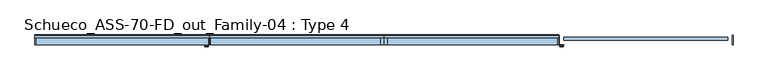
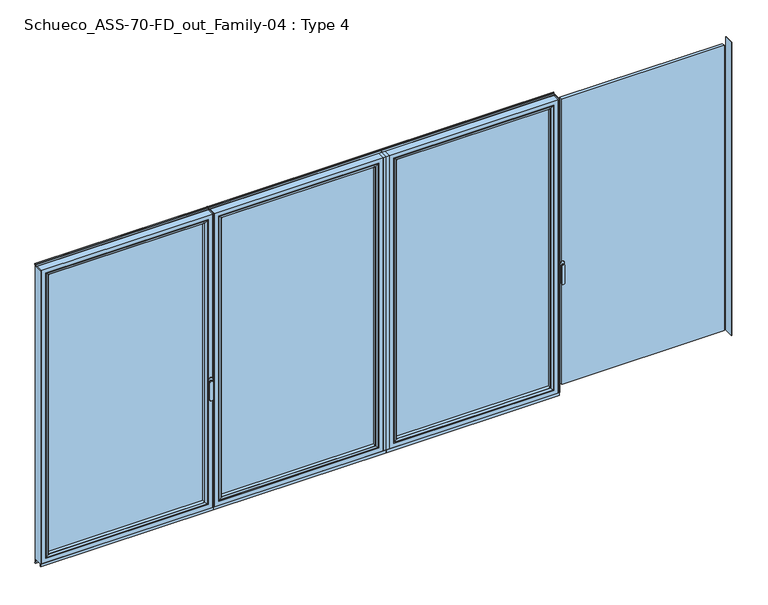
"""IFC4 building model written with IfcOpenShell, lengths in millimetres: window geometry, Schueco_ASS-70-FD_out_Family-04 : Type 4."""

from ifc_helpers import new_model, si_unit, point, frame, frame_2d, origin, place, context, project, spatial, polyline, circle_curve, ellipse_curve, trimmed, segment, composite_curve, outline, extrude, source, transform, mapped, element, save
from ifc_brep_helpers import plane_surface, cylinder_surface, extruded_surface, advanced_brep


def schueco_ass_70_fd_out_family_04_type_4_62c32d7b(model_context):
    return source(origin(), model_context, "Body", "SolidModel", [
        extrude(outline(polyline([(0.0, 0.0), (22.5, 0.0), (22.5, -70.0), (0.0, -70.0), (0.0, 0.0)])), frame((0.0, 0.0, 75.0), z_axis=(0.0, 0.0, 1.0), x_axis=(1.0, 0.0, 0.0)), (0.0, 0.0, 1.0), 2262.0),
        extrude(outline(polyline([(1259.4, 0.0), (1259.4, -70.0), (1253.4, -70.0), (1253.4, 0.0), (1259.4, 0.0)])), frame((0.0, 0.0, 75.0), z_axis=(0.0, 0.0, 1.0), x_axis=(1.0, 0.0, 0.0)), (0.0, 0.0, 1.0), 2262.0),
        extrude(outline(polyline([(54.5, -13.999939), (1221.4, -13.999939), (1221.4, -37.9928974), (54.5, -37.9928974), (54.5, -13.999939)])), frame((0.0, 0.0, 107.0), z_axis=(0.0, 0.0, 1.0), x_axis=(1.0, 0.0, 0.0)), (0.0, 0.0, 1.0), 2198.0),
        advanced_brep(
        [(1199.4004272, -64.5552044, 2283.0004272), (1199.4004272, -37.9928974, 2283.0004272), (1199.4004272, -37.9928974, 128.9995728), (1199.4004272, -64.5552044, 128.9995728), (1221.4, -37.9928974, 2305.0), (1221.4, -37.9928974, 107.0), (54.5, -37.9928974, 107.0), (54.5, -37.9928974, 2305.0), (76.4995728, -37.9928974, 2283.0004272), (76.4995728, -37.9928974, 128.9995728), (76.4995728, -64.5552044, 128.9995728), (1200.1099707, -65.8045072, 2283.7099707), (1200.1099707, -65.8045072, 128.2900293), (75.7900293, -65.8045072, 128.2900293), (1215.400061, -70.0, 2299.000061), (1215.400061, -70.0, 112.999939), (60.499939, -70.0, 112.999939), (54.5, -70.0, 2305.0), (54.5, -70.0, 107.0), (1221.4, -70.0, 107.0), (1221.4, -70.0, 2305.0), (60.499939, -70.0, 2299.000061), (76.4995728, -64.5552044, 2283.0004272), (75.7900293, -65.8045072, 2283.7099707)],
        [
            (0, 1),
            (1, 2),
            (2, 3),
            (3, 0),
            (4, 5),
            (5, 6),
            (6, 7),
            (7, 4),
            (8, 9),
            (9, 2),
            (1, 8),
            (9, 10),
            (10, 3),
            (11, 0, ellipse_curve(frame((1200.8550312, -64.5552044, 2284.4550312), z_axis=(0.7071067811865475, 0.0, -0.7071067811865475), x_axis=(0.7071067811865474, 0.0, 0.7071067811865476)), 2.0571207, 1.454604)),
            (3, 12, ellipse_curve(frame((1200.8550312, -64.5552044, 127.5449688), z_axis=(0.7071067811865475, 0.0, 0.7071067811865475), x_axis=(-0.7071067811865474, 0.0, 0.7071067811865476)), 2.0571207, 1.454604)),
            (12, 11),
            (10, 13, ellipse_curve(frame((75.0449688, -64.5552044, 127.5449688), z_axis=(0.7071067811865475, 0.0, -0.7071067811865475), x_axis=(0.7071067811865476, 0.0, 0.7071067811865474)), 2.0571207, 1.454604)),
            (13, 12),
            (14, 11, ellipse_curve(frame((1215.3361254, -40.2735922, 2298.9361254), z_axis=(0.7071067811865475, 0.0, -0.7071067811865475), x_axis=(0.7071067811865474, 0.0, 0.7071067811865476)), 42.0395863, 29.7264765)),
            (12, 15, ellipse_curve(frame((1215.3361254, -40.2735922, 113.0638746), z_axis=(0.7071067811865475, 0.0, 0.7071067811865475), x_axis=(-0.7071067811865474, 0.0, 0.7071067811865476)), 42.0395863, 29.7264765)),
            (15, 14),
            (13, 16, ellipse_curve(frame((60.5638746, -40.2735922, 113.0638746), z_axis=(0.7071067811865475, 0.0, -0.7071067811865475), x_axis=(0.7071067811865476, 0.0, 0.7071067811865474)), 42.0395863, 29.7264765)),
            (16, 15),
            (17, 18),
            (18, 19),
            (19, 20),
            (20, 17),
            (16, 21),
            (21, 14),
            (4, 20),
            (19, 5),
            (18, 6),
            (8, 22),
            (22, 10),
            (22, 23, ellipse_curve(frame((75.0449688, -64.5552044, 2284.4550312), z_axis=(-0.7071067811865475, 0.0, -0.7071067811865475), x_axis=(0.7071067811865474, 0.0, -0.7071067811865476)), 2.0571207, 1.454604)),
            (23, 13),
            (23, 21, ellipse_curve(frame((60.5638746, -40.2735922, 2298.9361254), z_axis=(-0.7071067811865475, 0.0, -0.7071067811865475), x_axis=(0.7071067811865474, 0.0, -0.7071067811865476)), 42.0395863, 29.7264765)),
            (17, 7),
            (0, 22),
            (11, 23),
        ],
        [
            plane_surface(frame((1199.4004272, -37.9928974, 2283.0004272), z_axis=(-1.0, 0.0, 0.0), x_axis=(0.0, 0.0, -1.0))),
            plane_surface(frame((54.5, -37.9928974, 107.0), z_axis=(0.0, 1.0, 0.0), x_axis=(0.0, 0.0, 1.0))),
            plane_surface(frame((1199.4004272, -37.9928974, 128.9995728), z_axis=(0.0, 0.0, 1.0), x_axis=(-1.0, 0.0, 0.0))),
            cylinder_surface(frame((1200.8550312, -64.5552044, 2283.0004272), z_axis=(0.0, 0.0, 1.0), x_axis=(1.0, 0.0, 0.0)), 1.454604),
            cylinder_surface(frame((1199.4004272, -64.5552044, 127.5449688), z_axis=(1.0, 0.0, 0.0), x_axis=(0.0, 0.0, -1.0)), 1.454604),
            cylinder_surface(frame((1215.3361254, -40.2735922, 2283.0004272), z_axis=(0.0, 0.0, 1.0), x_axis=(1.0, 0.0, 0.0)), 29.7264765),
            cylinder_surface(frame((1199.4004272, -40.2735922, 113.0638746), z_axis=(1.0, 0.0, 0.0), x_axis=(0.0, 0.0, -1.0)), 29.7264765),
            plane_surface(frame((60.499939, -70.0, 112.999939), z_axis=(0.0, -1.0, 0.0), x_axis=(0.0, 0.0, 1.0))),
            plane_surface(frame((1221.4, -70.0, 2305.0), z_axis=(1.0, 0.0, 0.0), x_axis=(0.0, 0.0, -1.0))),
            plane_surface(frame((1221.4, -70.0, 107.0), z_axis=(0.0, 0.0, -1.0), x_axis=(-1.0, 0.0, 0.0))),
            plane_surface(frame((76.4995728, -37.9928974, 128.9995728), z_axis=(1.0, 0.0, 0.0), x_axis=(0.0, 0.0, 1.0))),
            cylinder_surface(frame((75.0449688, -64.5552044, 128.9995728), z_axis=(0.0, 0.0, -1.0), x_axis=(-1.0, 0.0, 0.0)), 1.454604),
            cylinder_surface(frame((60.5638746, -40.2735922, 128.9995728), z_axis=(0.0, 0.0, -1.0), x_axis=(-1.0, 0.0, 0.0)), 29.7264765),
            plane_surface(frame((54.5, -70.0, 107.0), z_axis=(-1.0, 0.0, 0.0), x_axis=(0.0, 0.0, 1.0))),
            plane_surface(frame((76.4995728, -37.9928974, 2283.0004272), z_axis=(0.0, 0.0, -1.0), x_axis=(1.0, 0.0, 0.0))),
            cylinder_surface(frame((76.4995728, -64.5552044, 2284.4550312), z_axis=(-1.0, 0.0, 0.0), x_axis=(0.0, 0.0, 1.0)), 1.454604),
            cylinder_surface(frame((76.4995728, -40.2735922, 2298.9361254), z_axis=(-1.0, 0.0, 0.0), x_axis=(0.0, 0.0, 1.0)), 29.7264765),
            plane_surface(frame((54.5, -70.0, 2305.0), z_axis=(0.0, 0.0, 1.0), x_axis=(1.0, 0.0, 0.0))),
        ],
        [
            (0, [[1, 2, 3, 4]]),
            (1, [[5, 6, 7, 8], [9, 10, -2, 11]]),
            (2, [[-3, -10, 12, 13]]),
            (3, [[14, -4, 15, 16]]),
            (4, [[-15, -13, 17, 18]]),
            (5, [[19, -16, 20, 21]]),
            (6, [[-20, -18, 22, 23]]),
            (7, [[24, 25, 26, 27], [-21, -23, 28, 29]]),
            (8, [[30, -26, 31, -5]]),
            (9, [[-31, -25, 32, -6]]),
            (10, [[-12, -9, 33, 34]]),
            (11, [[-17, -34, 35, 36]]),
            (12, [[-22, -36, 37, -28]]),
            (13, [[-32, -24, 38, -7]]),
            (14, [[-33, -11, -1, 39]]),
            (15, [[-35, -39, -14, 40]]),
            (16, [[-37, -40, -19, -29]]),
            (17, [[-38, -27, -30, -8]]),
        ],
    ),
        advanced_brep(
        [(22.5, -70.0, 2337.0), (22.5, 0.0, 2337.0), (22.5, 0.0, 75.0), (22.5, -70.0, 75.0), (1253.4, 0.0, 75.0), (1253.4, -70.0, 75.0), (1253.4, 0.0, 2337.0), (1203.9008099, 0.0, 124.4991901), (1203.9008099, 0.0, 2287.5008099), (71.9991901, 0.0, 2287.5008099), (71.9991901, 0.0, 124.4991901), (1253.4, -70.0, 2337.0), (54.5, -70.0, 107.0), (54.5, -70.0, 2305.0), (1221.4, -70.0, 2305.0), (1221.4, -70.0, 107.0), (54.5, -13.999939, 2305.0), (54.5, -13.999939, 107.0), (1221.4, -13.999939, 107.0), (1221.4, -13.999939, 2305.0), (76.4995728, -13.999939, 128.9995728), (76.4995728, -13.999939, 2283.0004272), (1199.4004272, -13.999939, 2283.0004272), (1199.4004272, -13.999939, 128.9995728), (76.4995728, -4.5004435, 2283.0004272), (76.4995728, -4.5004435, 128.9995728), (1199.4004272, -4.5004435, 128.9995728), (1199.4004272, -4.5004435, 2283.0004272)],
        [
            (0, 1),
            (1, 2),
            (2, 3),
            (3, 0),
            (2, 4),
            (4, 5),
            (5, 3),
            (1, 6),
            (6, 4),
            (7, 8),
            (8, 9),
            (9, 10),
            (10, 7),
            (6, 11),
            (11, 5),
            (11, 0),
            (12, 13),
            (13, 14),
            (14, 15),
            (15, 12),
            (16, 13),
            (12, 17),
            (17, 16),
            (15, 18),
            (18, 17),
            (14, 19),
            (19, 18),
            (19, 16),
            (20, 21),
            (21, 22),
            (22, 23),
            (23, 20),
            (24, 21),
            (20, 25),
            (25, 24),
            (23, 26),
            (26, 25),
            (22, 27),
            (27, 26),
            (10, 25, ellipse_curve(frame((71.9991901, -4.5004435, 124.4991901), z_axis=(0.7071067811865475, 0.0, -0.7071067811865475), x_axis=(-0.7071067811865476, 0.0, -0.7071067811865474)), 6.3645023, 4.5003827)),
            (26, 7, ellipse_curve(frame((1203.9008099, -4.5004435, 124.4991901), z_axis=(-0.7071067811865475, 0.0, -0.7071067811865475), x_axis=(-0.7071067811865476, 0.0, 0.7071067811865474)), 6.3645023, 4.5003827)),
            (9, 24, ellipse_curve(frame((71.9991901, -4.5004435, 2287.5008099), z_axis=(-0.7071067811865475, 0.0, -0.7071067811865475), x_axis=(-0.7071067811865474, 0.0, 0.7071067811865476)), 6.3645023, 4.5003827)),
            (27, 8, ellipse_curve(frame((1203.9008099, -4.5004435, 2287.5008099), z_axis=(0.7071067811865475, 0.0, -0.7071067811865475), x_axis=(-0.7071067811865474, 0.0, -0.7071067811865476)), 6.3645023, 4.5003827)),
            (24, 27),
        ],
        [
            plane_surface(frame((22.5, 0.0, 2337.0), z_axis=(-1.0, 0.0, 0.0), x_axis=(0.0, 0.0, -1.0))),
            plane_surface(frame((22.5, 0.0, 75.0), z_axis=(0.0, 0.0, -1.0), x_axis=(1.0, 0.0, 0.0))),
            plane_surface(frame((71.9991901, 0.0, 2287.5008099), z_axis=(0.0, 1.0, 0.0), x_axis=(0.0, 0.0, -1.0))),
            plane_surface(frame((1253.4, 0.0, 75.0), z_axis=(1.0, 0.0, 0.0), x_axis=(0.0, 0.0, 1.0))),
            plane_surface(frame((22.5, -70.0, 2337.0), z_axis=(0.0, -1.0, 0.0), x_axis=(0.0, 0.0, -1.0))),
            plane_surface(frame((54.5, -70.0, 2305.0), z_axis=(1.0, 0.0, 0.0), x_axis=(0.0, 0.0, -1.0))),
            plane_surface(frame((54.5, -70.0, 107.0), z_axis=(0.0, 0.0, 1.0), x_axis=(1.0, 0.0, 0.0))),
            plane_surface(frame((1221.4, -70.0, 107.0), z_axis=(-1.0, 0.0, 0.0), x_axis=(0.0, 0.0, 1.0))),
            plane_surface(frame((54.5, -13.999939, 2305.0), z_axis=(0.0, -1.0, 0.0), x_axis=(0.0, 0.0, -1.0))),
            plane_surface(frame((76.4995728, -13.999939, 2283.0004272), z_axis=(1.0, 0.0, 0.0), x_axis=(0.0, 0.0, -1.0))),
            plane_surface(frame((76.4995728, -13.999939, 128.9995728), z_axis=(0.0, 0.0, 1.0), x_axis=(1.0, 0.0, 0.0))),
            plane_surface(frame((1199.4004272, -13.999939, 128.9995728), z_axis=(-1.0, 0.0, 0.0), x_axis=(0.0, 0.0, 1.0))),
            cylinder_surface(frame((16.5, -4.5004435, 124.4991901), z_axis=(-1.0, 0.0, 0.0), x_axis=(0.0, -1.0, 0.0)), 4.5003827),
            cylinder_surface(frame((71.9991901, -4.5004435, 2343.0), z_axis=(0.0, 0.0, 1.0), x_axis=(0.0, -1.0, 0.0)), 4.5003827),
            cylinder_surface(frame((1203.9008099, -4.5004435, 69.0), z_axis=(0.0, 0.0, -1.0), x_axis=(0.0, -1.0, 0.0)), 4.5003827),
            plane_surface(frame((1253.4, 0.0, 2337.0), z_axis=(0.0, 0.0, 1.0), x_axis=(-1.0, 0.0, 0.0))),
            plane_surface(frame((1221.4, -70.0, 2305.0), z_axis=(0.0, 0.0, -1.0), x_axis=(-1.0, 0.0, 0.0))),
            plane_surface(frame((1199.4004272, -13.999939, 2283.0004272), z_axis=(0.0, 0.0, -1.0), x_axis=(-1.0, 0.0, 0.0))),
            cylinder_surface(frame((1259.4, -4.5004435, 2287.5008099), z_axis=(1.0, 0.0, 0.0), x_axis=(0.0, -1.0, 0.0)), 4.5003827),
        ],
        [
            (0, [[1, 2, 3, 4]]),
            (1, [[-3, 5, 6, 7]]),
            (2, [[-2, 8, 9, -5], [10, 11, 12, 13]]),
            (3, [[-6, -9, 14, 15]]),
            (4, [[-15, 16, -4, -7], [17, 18, 19, 20]]),
            (5, [[21, -17, 22, 23]]),
            (6, [[-22, -20, 24, 25]]),
            (7, [[-24, -19, 26, 27]]),
            (8, [[-27, 28, -23, -25], [29, 30, 31, 32]]),
            (9, [[33, -29, 34, 35]]),
            (10, [[-34, -32, 36, 37]]),
            (11, [[-36, -31, 38, 39]]),
            (12, [[40, -37, 41, -13]]),
            (13, [[42, -35, -40, -12]]),
            (14, [[-41, -39, 43, -10]]),
            (15, [[-14, -8, -1, -16]]),
            (16, [[-26, -18, -21, -28]]),
            (17, [[-38, -30, -33, 44]]),
            (18, [[-43, -44, -42, -11]]),
        ],
    ),
        extrude(outline(polyline([(0.0, -70.0), (0.0, -62.3999924), (1259.4, -62.3999924), (1259.4, -70.0), (0.0, -70.0)])), frame((0.0, 0.0, 52.9995117), z_axis=(0.0, 0.0, 1.0), x_axis=(1.0, 0.0, 0.0)), (0.0, 0.0, 1.0), 22.0004883),
        extrude(outline(composite_curve([segment(polyline([(0.0, 45.0), (-7.7242502, 45.0), (-7.7242502, 75.0), (0.0, 75.0), (0.0, 52.4754501), (1.8566157, 46.0621453)]), True, "CONTINUOUS"), segment(trimmed(circle_curve(frame_2d((-0.0645022, 45.5059925)), 2.0), [point((1.8566157, 46.0621453))], [point((1.8670103, 44.9870904))], False, "CARTESIAN"), True, "CONTINUOUS"), segment(polyline([(1.8670103, 44.9870904), (0.8737, 41.2896854), (0.0, 41.2896854), (0.0, 45.0)]), True, "CONTINUOUS")], self_intersect=False)), frame((0.0, 0.0, 0.0), z_axis=(1.0, 0.0, 0.0), x_axis=(0.0, 1.0, 0.0)), (0.0, 0.0, 1.0), 1259.4),
        extrude(outline(composite_curve([segment(polyline([(-17.955674, 2339.1400778), (-1.3636404, 2339.1400778), (0.0, 2342.963961), (0.0, 2348.6420698), (0.8937897, 2348.6420698), (1.8738669, 2344.9939222)]), True, "CONTINUOUS"), segment(trimmed(circle_curve(frame_2d((-0.0576456, 2344.4750201)), 2.0), [point((1.8738669, 2344.9939222))], [point((1.8735116, 2343.9547971))], False, "CARTESIAN"), True, "CONTINUOUS"), segment(polyline([(1.8735116, 2343.9547971), (0.0, 2337.0), (-17.955674, 2337.0), (-17.955674, 2339.1400778)]), True, "CONTINUOUS")], self_intersect=False)), frame((0.0, 0.0, 0.0), z_axis=(1.0, 0.0, 0.0), x_axis=(0.0, 1.0, 0.0)), (0.0, 0.0, 1.0), 1259.4),
        advanced_brep(
        [(-1293.3886308, -73.5, 1050.0), (-1269.4113692, -73.5, 1050.0), (-1269.4113692, -76.8965533, 1050.0), (-1293.3886308, -76.8965533, 1050.0), (-1293.3886308, -84.5, 1050.0), (-1293.3886308, -84.5, 918.6867153), (-1269.4113692, -84.5, 918.6867153), (-1269.4113692, -84.5, 1050.0), (-1269.4113692, -76.8965533, 918.6867153), (-1293.3886308, -76.8965533, 918.6867153)],
        [
            (0, 1, circle_curve(frame((-1281.4, -73.5, 1050.0), z_axis=(0.0, 1.0, 0.0), x_axis=(1.0, 0.0, 0.0)), 11.9886308)),
            (1, 0, circle_curve(frame((-1281.4, -73.5, 1050.0), z_axis=(0.0, 1.0, 0.0), x_axis=(1.0, 0.0, 0.0)), 11.9886308)),
            (1, 2),
            (2, 3, circle_curve(frame((-1281.4, -76.8965533, 1050.0), z_axis=(0.0, 1.0, 0.0), x_axis=(1.0, 0.0, 0.0)), 11.9886308)),
            (3, 0),
            (3, 2, circle_curve(frame((-1281.4, -76.8965533, 1050.0), z_axis=(0.0, 1.0, 0.0), x_axis=(1.0, 0.0, 0.0)), 11.9886308)),
            (4, 5),
            (5, 6, ellipse_curve(frame((-1281.4, -84.5, 918.6867153), z_axis=(0.0, -1.0, 0.0), x_axis=(-1.0, 0.0, 0.0)), 11.9886308, 7.9050795)),
            (6, 7),
            (7, 4, circle_curve(frame((-1281.4, -84.5, 1050.0), z_axis=(0.0, -1.0, 0.0), x_axis=(1.0, 0.0, 0.0)), 11.9886308)),
            (2, 8),
            (8, 9, ellipse_curve(frame((-1281.4, -76.8965533, 918.6867153), z_axis=(0.0, 1.0, 0.0), x_axis=(-1.0, 0.0, 0.0)), 11.9886308, 7.9050795)),
            (9, 3),
            (4, 3),
            (9, 5),
            (8, 6),
            (2, 7),
        ],
        [
            plane_surface(frame((-1269.4113692, -73.5, 1050.0), z_axis=(0.0, 1.0, 0.0), x_axis=(0.0, 0.0, -1.0))),
            cylinder_surface(frame((-1281.4, -73.5, 1050.0), z_axis=(0.0, -1.0, 0.0), x_axis=(1.0, 0.0, 0.0)), 11.9886308),
            plane_surface(frame((-1293.3886308, -84.5, 928.3382074), z_axis=(0.0, -1.0, 0.0), x_axis=(0.0, 0.0, -1.0))),
            plane_surface(frame((-1293.3886308, -76.8965533, 928.3382074), z_axis=(0.0, 1.0, 0.0), x_axis=(0.0, 0.0, 1.0))),
            plane_surface(frame((-1293.3886308, -84.5, 1050.0), z_axis=(-1.0, 0.0, 0.0), x_axis=(0.0, 1.0, 0.0))),
            extruded_surface(trimmed(ellipse_curve(frame((-1281.4, -69.2931066, 918.6867153), z_axis=(0.0, -1.0, 0.0), x_axis=(-1.0, 0.0, 0.0)), 11.9886308, 7.9050795), [point((-1293.3886308, -69.2931066, 918.6867153))], [point((-1269.4113692, -69.2931066, 918.6867153))], True, "CARTESIAN"), (0.0, -7.603446699999992, 0.0), 7.603446699999992),
            plane_surface(frame((-1269.4113692, -84.5, 918.6867153), z_axis=(1.0, 0.0, 0.0), x_axis=(0.0, 1.0, 0.0))),
            cylinder_surface(frame((-1281.4, -76.8965533, 1050.0), z_axis=(0.0, -1.0, 0.0), x_axis=(1.0, 0.0, 0.0)), 11.9886308),
        ],
        [
            (0, [[1, 2]]),
            (1, [[-2, 3, 4, 5]]),
            (1, [[-1, -5, 6, -3]]),
            (2, [[7, 8, 9, 10]]),
            (3, [[11, 12, 13, -4]]),
            (4, [[-7, 14, -13, 15]]),
            (5, [[-8, -15, -12, 16]]),
            (6, [[-9, -16, -11, 17]]),
            (7, [[-10, -17, -6, -14]]),
        ],
    ),
        extrude(outline(composite_curve([segment(polyline([(1068.75, -1295.4), (1031.25, -1295.4)]), True, "CONTINUOUS"), segment(trimmed(circle_curve(frame_2d((1031.25, -1281.4)), 14.0), [point((1031.25, -1295.4))], [point((1031.25, -1267.4))], False, "CARTESIAN"), True, "CONTINUOUS"), segment(polyline([(1031.25, -1267.4), (1068.75, -1267.4)]), True, "CONTINUOUS"), segment(trimmed(circle_curve(frame_2d((1068.75, -1281.4)), 14.0), [point((1068.75, -1267.4))], [point((1068.75, -1295.4))], False, "CARTESIAN"), True, "CONTINUOUS")], self_intersect=False)), frame((0.0, -73.5, 0.0), z_axis=(0.0, 1.0, 0.0), x_axis=(0.0, 0.0, 1.0)), (0.0, 0.0, 1.0), 3.5),
        extrude(outline(polyline([(-2518.8, 0.0), (-2512.8, 0.0), (-2512.8, -70.0), (-2518.8, -70.0), (-2518.8, 0.0)])), frame((0.0, 0.0, 75.0), z_axis=(0.0, 0.0, 1.0), x_axis=(1.0, 0.0, 0.0)), (0.0, 0.0, 1.0), 2262.0),
        extrude(outline(polyline([(-1259.4, 0.0), (-1259.4, -70.0), (-1265.4, -70.0), (-1265.4, 0.0), (-1259.4, 0.0)])), frame((0.0, 0.0, 75.0), z_axis=(0.0, 0.0, 1.0), x_axis=(1.0, 0.0, 0.0)), (0.0, 0.0, 1.0), 2262.0),
        extrude(outline(polyline([(-2480.8, -13.999939), (-1297.4, -13.999939), (-1297.4, -37.9928974), (-2480.8, -37.9928974), (-2480.8, -13.999939)])), frame((0.0, 0.0, 107.0), z_axis=(0.0, 0.0, 1.0), x_axis=(1.0, 0.0, 0.0)), (0.0, 0.0, 1.0), 2198.0),
        advanced_brep(
        [(-1319.3995728, -64.5552044, 2283.0004272), (-1319.3995728, -37.9928974, 2283.0004272), (-1319.3995728, -37.9928974, 128.9995728), (-1319.3995728, -64.5552044, 128.9995728), (-1297.4, -37.9928974, 2305.0), (-1297.4, -37.9928974, 107.0), (-2480.8, -37.9928974, 107.0), (-2480.8, -37.9928974, 2305.0), (-2458.8004272, -37.9928974, 2283.0004272), (-2458.8004272, -37.9928974, 128.9995728), (-2458.8004272, -64.5552044, 128.9995728), (-1318.6900293, -65.8045072, 2283.7099707), (-1318.6900293, -65.8045072, 128.2900293), (-2459.5099707, -65.8045072, 128.2900293), (-1303.399939, -70.0, 2299.000061), (-1303.399939, -70.0, 112.999939), (-2474.800061, -70.0, 112.999939), (-2480.8, -70.0, 2305.0), (-2480.8, -70.0, 107.0), (-1297.4, -70.0, 107.0), (-1297.4, -70.0, 2305.0), (-2474.800061, -70.0, 2299.000061), (-2458.8004272, -64.5552044, 2283.0004272), (-2459.5099707, -65.8045072, 2283.7099707)],
        [
            (0, 1),
            (1, 2),
            (2, 3),
            (3, 0),
            (4, 5),
            (5, 6),
            (6, 7),
            (7, 4),
            (8, 9),
            (9, 2),
            (1, 8),
            (9, 10),
            (10, 3),
            (11, 0, ellipse_curve(frame((-1317.9449688, -64.5552044, 2284.4550312), z_axis=(0.7071067811865475, 0.0, -0.7071067811865475), x_axis=(0.7071067811865474, 0.0, 0.7071067811865476)), 2.0571207, 1.454604)),
            (3, 12, ellipse_curve(frame((-1317.9449688, -64.5552044, 127.5449688), z_axis=(0.7071067811865475, 0.0, 0.7071067811865475), x_axis=(-0.7071067811865474, 0.0, 0.7071067811865476)), 2.0571207, 1.454604)),
            (12, 11),
            (10, 13, ellipse_curve(frame((-2460.2550312, -64.5552044, 127.5449688), z_axis=(0.7071067811865475, 0.0, -0.7071067811865475), x_axis=(0.7071067811865476, 0.0, 0.7071067811865474)), 2.0571207, 1.454604)),
            (13, 12),
            (14, 11, ellipse_curve(frame((-1303.4638746, -40.2735922, 2298.9361254), z_axis=(0.7071067811865475, 0.0, -0.7071067811865475), x_axis=(0.7071067811865474, 0.0, 0.7071067811865476)), 42.0395863, 29.7264765)),
            (12, 15, ellipse_curve(frame((-1303.4638746, -40.2735922, 113.0638746), z_axis=(0.7071067811865475, 0.0, 0.7071067811865475), x_axis=(-0.7071067811865474, 0.0, 0.7071067811865476)), 42.0395863, 29.7264765)),
            (15, 14),
            (13, 16, ellipse_curve(frame((-2474.7361254, -40.2735922, 113.0638746), z_axis=(0.7071067811865475, 0.0, -0.7071067811865475), x_axis=(0.7071067811865476, 0.0, 0.7071067811865474)), 42.0395863, 29.7264765)),
            (16, 15),
            (17, 18),
            (18, 19),
            (19, 20),
            (20, 17),
            (16, 21),
            (21, 14),
            (4, 20),
            (19, 5),
            (18, 6),
            (8, 22),
            (22, 10),
            (22, 23, ellipse_curve(frame((-2460.2550312, -64.5552044, 2284.4550312), z_axis=(-0.7071067811865475, 0.0, -0.7071067811865475), x_axis=(0.7071067811865474, 0.0, -0.7071067811865476)), 2.0571207, 1.454604)),
            (23, 13),
            (23, 21, ellipse_curve(frame((-2474.7361254, -40.2735922, 2298.9361254), z_axis=(-0.7071067811865475, 0.0, -0.7071067811865475), x_axis=(0.7071067811865474, 0.0, -0.7071067811865476)), 42.0395863, 29.7264765)),
            (17, 7),
            (0, 22),
            (11, 23),
        ],
        [
            plane_surface(frame((-1319.3995728, -37.9928974, 2283.0004272), z_axis=(-1.0, 0.0, 0.0), x_axis=(0.0, 0.0, -1.0))),
            plane_surface(frame((-2480.8, -37.9928974, 107.0), z_axis=(0.0, 1.0, 0.0), x_axis=(0.0, 0.0, 1.0))),
            plane_surface(frame((-1319.3995728, -37.9928974, 128.9995728), z_axis=(0.0, 0.0, 1.0), x_axis=(-1.0, 0.0, 0.0))),
            cylinder_surface(frame((-1317.9449688, -64.5552044, 2283.0004272), z_axis=(0.0, 0.0, 1.0), x_axis=(1.0, 0.0, 0.0)), 1.454604),
            cylinder_surface(frame((-1319.3995728, -64.5552044, 127.5449688), z_axis=(1.0, 0.0, 0.0), x_axis=(0.0, 0.0, -1.0)), 1.454604),
            cylinder_surface(frame((-1303.4638746, -40.2735922, 2283.0004272), z_axis=(0.0, 0.0, 1.0), x_axis=(1.0, 0.0, 0.0)), 29.7264765),
            cylinder_surface(frame((-1319.3995728, -40.2735922, 113.0638746), z_axis=(1.0, 0.0, 0.0), x_axis=(0.0, 0.0, -1.0)), 29.7264765),
            plane_surface(frame((-2474.800061, -70.0, 112.999939), z_axis=(0.0, -1.0, 0.0), x_axis=(0.0, 0.0, 1.0))),
            plane_surface(frame((-1297.4, -70.0, 2305.0), z_axis=(1.0, 0.0, 0.0), x_axis=(0.0, 0.0, -1.0))),
            plane_surface(frame((-1297.4, -70.0, 107.0), z_axis=(0.0, 0.0, -1.0), x_axis=(-1.0, 0.0, 0.0))),
            plane_surface(frame((-2458.8004272, -37.9928974, 128.9995728), z_axis=(1.0, 0.0, 0.0), x_axis=(0.0, 0.0, 1.0))),
            cylinder_surface(frame((-2460.2550312, -64.5552044, 128.9995728), z_axis=(0.0, 0.0, -1.0), x_axis=(-1.0, 0.0, 0.0)), 1.454604),
            cylinder_surface(frame((-2474.7361254, -40.2735922, 128.9995728), z_axis=(0.0, 0.0, -1.0), x_axis=(-1.0, 0.0, 0.0)), 29.7264765),
            plane_surface(frame((-2480.8, -70.0, 107.0), z_axis=(-1.0, 0.0, 0.0), x_axis=(0.0, 0.0, 1.0))),
            plane_surface(frame((-2458.8004272, -37.9928974, 2283.0004272), z_axis=(0.0, 0.0, -1.0), x_axis=(1.0, 0.0, 0.0))),
            cylinder_surface(frame((-2458.8004272, -64.5552044, 2284.4550312), z_axis=(-1.0, 0.0, 0.0), x_axis=(0.0, 0.0, 1.0)), 1.454604),
            cylinder_surface(frame((-2458.8004272, -40.2735922, 2298.9361254), z_axis=(-1.0, 0.0, 0.0), x_axis=(0.0, 0.0, 1.0)), 29.7264765),
            plane_surface(frame((-2480.8, -70.0, 2305.0), z_axis=(0.0, 0.0, 1.0), x_axis=(1.0, 0.0, 0.0))),
        ],
        [
            (0, [[1, 2, 3, 4]]),
            (1, [[5, 6, 7, 8], [9, 10, -2, 11]]),
            (2, [[-3, -10, 12, 13]]),
            (3, [[14, -4, 15, 16]]),
            (4, [[-15, -13, 17, 18]]),
            (5, [[19, -16, 20, 21]]),
            (6, [[-20, -18, 22, 23]]),
            (7, [[24, 25, 26, 27], [-21, -23, 28, 29]]),
            (8, [[30, -26, 31, -5]]),
            (9, [[-31, -25, 32, -6]]),
            (10, [[-12, -9, 33, 34]]),
            (11, [[-17, -34, 35, 36]]),
            (12, [[-22, -36, 37, -28]]),
            (13, [[-32, -24, 38, -7]]),
            (14, [[-33, -11, -1, 39]]),
            (15, [[-35, -39, -14, 40]]),
            (16, [[-37, -40, -19, -29]]),
            (17, [[-38, -27, -30, -8]]),
        ],
    ),
        advanced_brep(
        [(-2512.8, -70.0, 2337.0), (-2512.8, 0.0, 2337.0), (-2512.8, 0.0, 75.0), (-2512.8, -70.0, 75.0), (-1265.4, 0.0, 75.0), (-1265.4, -70.0, 75.0), (-1265.4, 0.0, 2337.0), (-1314.8991901, 0.0, 124.4991901), (-1314.8991901, 0.0, 2287.5008099), (-2463.3008099, 0.0, 2287.5008099), (-2463.3008099, 0.0, 124.4991901), (-1265.4, -70.0, 2337.0), (-2480.8, -70.0, 107.0), (-2480.8, -70.0, 2305.0), (-1297.4, -70.0, 2305.0), (-1297.4, -70.0, 107.0), (-2480.8, -13.999939, 2305.0), (-2480.8, -13.999939, 107.0), (-1297.4, -13.999939, 107.0), (-1297.4, -13.999939, 2305.0), (-2458.8004272, -13.999939, 128.9995728), (-2458.8004272, -13.999939, 2283.0004272), (-1319.3995728, -13.999939, 2283.0004272), (-1319.3995728, -13.999939, 128.9995728), (-2458.8004272, -4.5004435, 2283.0004272), (-2458.8004272, -4.5004435, 128.9995728), (-1319.3995728, -4.5004435, 128.9995728), (-1319.3995728, -4.5004435, 2283.0004272)],
        [
            (0, 1),
            (1, 2),
            (2, 3),
            (3, 0),
            (2, 4),
            (4, 5),
            (5, 3),
            (1, 6),
            (6, 4),
            (7, 8),
            (8, 9),
            (9, 10),
            (10, 7),
            (6, 11),
            (11, 5),
            (11, 0),
            (12, 13),
            (13, 14),
            (14, 15),
            (15, 12),
            (16, 13),
            (12, 17),
            (17, 16),
            (15, 18),
            (18, 17),
            (14, 19),
            (19, 18),
            (19, 16),
            (20, 21),
            (21, 22),
            (22, 23),
            (23, 20),
            (24, 21),
            (20, 25),
            (25, 24),
            (23, 26),
            (26, 25),
            (22, 27),
            (27, 26),
            (10, 25, ellipse_curve(frame((-2463.3008099, -4.5004435, 124.4991901), z_axis=(0.7071067811865475, 0.0, -0.7071067811865475), x_axis=(-0.7071067811865476, 0.0, -0.7071067811865474)), 6.3645023, 4.5003827)),
            (26, 7, ellipse_curve(frame((-1314.8991901, -4.5004435, 124.4991901), z_axis=(-0.7071067811865475, 0.0, -0.7071067811865475), x_axis=(-0.7071067811865476, 0.0, 0.7071067811865474)), 6.3645023, 4.5003827)),
            (9, 24, ellipse_curve(frame((-2463.3008099, -4.5004435, 2287.5008099), z_axis=(-0.7071067811865475, 0.0, -0.7071067811865475), x_axis=(-0.7071067811865474, 0.0, 0.7071067811865476)), 6.3645023, 4.5003827)),
            (27, 8, ellipse_curve(frame((-1314.8991901, -4.5004435, 2287.5008099), z_axis=(0.7071067811865475, 0.0, -0.7071067811865475), x_axis=(-0.7071067811865474, 0.0, -0.7071067811865476)), 6.3645023, 4.5003827)),
            (24, 27),
        ],
        [
            plane_surface(frame((-2512.8, 0.0, 2337.0), z_axis=(-1.0, 0.0, 0.0), x_axis=(0.0, 0.0, -1.0))),
            plane_surface(frame((-2512.8, 0.0, 75.0), z_axis=(0.0, 0.0, -1.0), x_axis=(1.0, 0.0, 0.0))),
            plane_surface(frame((-2463.3008099, 0.0, 2287.5008099), z_axis=(0.0, 1.0, 0.0), x_axis=(0.0, 0.0, -1.0))),
            plane_surface(frame((-1265.4, 0.0, 75.0), z_axis=(1.0, 0.0, 0.0), x_axis=(0.0, 0.0, 1.0))),
            plane_surface(frame((-2512.8, -70.0, 2337.0), z_axis=(0.0, -1.0, 0.0), x_axis=(0.0, 0.0, -1.0))),
            plane_surface(frame((-2480.8, -70.0, 2305.0), z_axis=(1.0, 0.0, 0.0), x_axis=(0.0, 0.0, -1.0))),
            plane_surface(frame((-2480.8, -70.0, 107.0), z_axis=(0.0, 0.0, 1.0), x_axis=(1.0, 0.0, 0.0))),
            plane_surface(frame((-1297.4, -70.0, 107.0), z_axis=(-1.0, 0.0, 0.0), x_axis=(0.0, 0.0, 1.0))),
            plane_surface(frame((-2480.8, -13.999939, 2305.0), z_axis=(0.0, -1.0, 0.0), x_axis=(0.0, 0.0, -1.0))),
            plane_surface(frame((-2458.8004272, -13.999939, 2283.0004272), z_axis=(1.0, 0.0, 0.0), x_axis=(0.0, 0.0, -1.0))),
            plane_surface(frame((-2458.8004272, -13.999939, 128.9995728), z_axis=(0.0, 0.0, 1.0), x_axis=(1.0, 0.0, 0.0))),
            plane_surface(frame((-1319.3995728, -13.999939, 128.9995728), z_axis=(-1.0, 0.0, 0.0), x_axis=(0.0, 0.0, 1.0))),
            cylinder_surface(frame((-2518.8, -4.5004435, 124.4991901), z_axis=(-1.0, 0.0, 0.0), x_axis=(0.0, -1.0, 0.0)), 4.5003827),
            cylinder_surface(frame((-2463.3008099, -4.5004435, 2343.0), z_axis=(0.0, 0.0, 1.0), x_axis=(0.0, -1.0, 0.0)), 4.5003827),
            cylinder_surface(frame((-1314.8991901, -4.5004435, 69.0), z_axis=(0.0, 0.0, -1.0), x_axis=(0.0, -1.0, 0.0)), 4.5003827),
            plane_surface(frame((-1265.4, 0.0, 2337.0), z_axis=(0.0, 0.0, 1.0), x_axis=(-1.0, 0.0, 0.0))),
            plane_surface(frame((-1297.4, -70.0, 2305.0), z_axis=(0.0, 0.0, -1.0), x_axis=(-1.0, 0.0, 0.0))),
            plane_surface(frame((-1319.3995728, -13.999939, 2283.0004272), z_axis=(0.0, 0.0, -1.0), x_axis=(-1.0, 0.0, 0.0))),
            cylinder_surface(frame((-1259.4, -4.5004435, 2287.5008099), z_axis=(1.0, 0.0, 0.0), x_axis=(0.0, -1.0, 0.0)), 4.5003827),
        ],
        [
            (0, [[1, 2, 3, 4]]),
            (1, [[-3, 5, 6, 7]]),
            (2, [[-2, 8, 9, -5], [10, 11, 12, 13]]),
            (3, [[-6, -9, 14, 15]]),
            (4, [[-15, 16, -4, -7], [17, 18, 19, 20]]),
            (5, [[21, -17, 22, 23]]),
            (6, [[-22, -20, 24, 25]]),
            (7, [[-24, -19, 26, 27]]),
            (8, [[-27, 28, -23, -25], [29, 30, 31, 32]]),
            (9, [[33, -29, 34, 35]]),
            (10, [[-34, -32, 36, 37]]),
            (11, [[-36, -31, 38, 39]]),
            (12, [[40, -37, 41, -13]]),
            (13, [[42, -35, -40, -12]]),
            (14, [[-41, -39, 43, -10]]),
            (15, [[-14, -8, -1, -16]]),
            (16, [[-26, -18, -21, -28]]),
            (17, [[-38, -30, -33, 44]]),
            (18, [[-43, -44, -42, -11]]),
        ],
    ),
        extrude(outline(polyline([(-2518.8, -70.0), (-2518.8, -62.3999924), (-1259.4, -62.3999924), (-1259.4, -70.0), (-2518.8, -70.0)])), frame((0.0, 0.0, 52.9995117), z_axis=(0.0, 0.0, 1.0), x_axis=(1.0, 0.0, 0.0)), (0.0, 0.0, 1.0), 22.0004883),
        extrude(outline(composite_curve([segment(polyline([(0.0, 45.0), (-7.7242502, 45.0), (-7.7242502, 75.0), (0.0, 75.0), (0.0, 52.4754501), (1.8566157, 46.0621453)]), True, "CONTINUOUS"), segment(trimmed(circle_curve(frame_2d((-0.0645022, 45.5059925)), 2.0), [point((1.8566157, 46.0621453))], [point((1.8670103, 44.9870904))], False, "CARTESIAN"), True, "CONTINUOUS"), segment(polyline([(1.8670103, 44.9870904), (0.8737, 41.2896854), (0.0, 41.2896854), (0.0, 45.0)]), True, "CONTINUOUS")], self_intersect=False)), frame((-2518.8, 0.0, 0.0), z_axis=(1.0, 0.0, 0.0), x_axis=(0.0, 1.0, 0.0)), (0.0, 0.0, 1.0), 1259.4),
        extrude(outline(composite_curve([segment(polyline([(-17.955674, 2339.1400778), (-1.3636404, 2339.1400778), (0.0, 2342.963961), (0.0, 2348.6420698), (0.8937897, 2348.6420698), (1.8738669, 2344.9939222)]), True, "CONTINUOUS"), segment(trimmed(circle_curve(frame_2d((-0.0576456, 2344.4750201)), 2.0), [point((1.8738669, 2344.9939222))], [point((1.8735116, 2343.9547971))], False, "CARTESIAN"), True, "CONTINUOUS"), segment(polyline([(1.8735116, 2343.9547971), (0.0, 2337.0), (-17.955674, 2337.0), (-17.955674, 2339.1400778)]), True, "CONTINUOUS")], self_intersect=False)), frame((-2518.8, 0.0, 0.0), z_axis=(1.0, 0.0, 0.0), x_axis=(0.0, 1.0, 0.0)), (0.0, 0.0, 1.0), 1259.4),
        extrude(outline(polyline([(0.0, 0.0), (0.0, -70.0), (-22.5, -70.0), (-22.5, 0.0), (0.0, 0.0)])), frame((0.0, 0.0, 75.0), z_axis=(0.0, 0.0, 1.0), x_axis=(1.0, 0.0, 0.0)), (0.0, 0.0, 1.0), 2262.0),
        extrude(outline(polyline([(-1259.4, 0.0), (-1253.4, 0.0), (-1253.4, -70.0), (-1259.4, -70.0), (-1259.4, 0.0)])), frame((0.0, 0.0, 75.0), z_axis=(0.0, 0.0, 1.0), x_axis=(1.0, 0.0, 0.0)), (0.0, 0.0, 1.0), 2262.0),
        extrude(outline(polyline([(-54.5, -13.999939), (-54.5, -37.9928974), (-1221.4, -37.9928974), (-1221.4, -13.999939), (-54.5, -13.999939)])), frame((0.0, 0.0, 107.0), z_axis=(0.0, 0.0, 1.0), x_axis=(1.0, 0.0, 0.0)), (0.0, 0.0, 1.0), 2198.0),
        advanced_brep(
        [(-1199.4004272, -64.5552044, 2283.0004272), (-1199.4004272, -64.5552044, 128.9995728), (-1199.4004272, -37.9928974, 128.9995728), (-1199.4004272, -37.9928974, 2283.0004272), (-1221.4, -37.9928974, 2305.0), (-54.5, -37.9928974, 2305.0), (-54.5, -37.9928974, 107.0), (-1221.4, -37.9928974, 107.0), (-76.4995728, -37.9928974, 2283.0004272), (-76.4995728, -37.9928974, 128.9995728), (-76.4995728, -64.5552044, 128.9995728), (-1200.1099707, -65.8045072, 2283.7099707), (-1200.1099707, -65.8045072, 128.2900293), (-75.7900293, -65.8045072, 128.2900293), (-1215.400061, -70.0, 2299.000061), (-1215.400061, -70.0, 112.999939), (-60.499939, -70.0, 112.999939), (-54.5, -70.0, 2305.0), (-1221.4, -70.0, 2305.0), (-1221.4, -70.0, 107.0), (-54.5, -70.0, 107.0), (-60.499939, -70.0, 2299.000061), (-76.4995728, -64.5552044, 2283.0004272), (-75.7900293, -65.8045072, 2283.7099707)],
        [
            (0, 1),
            (1, 2),
            (2, 3),
            (3, 0),
            (4, 5),
            (5, 6),
            (6, 7),
            (7, 4),
            (8, 3),
            (2, 9),
            (9, 8),
            (1, 10),
            (10, 9),
            (11, 12),
            (12, 1, ellipse_curve(frame((-1200.8550312, -64.5552044, 127.5449688), z_axis=(-0.7071067811865475, 0.0, 0.7071067811865475), x_axis=(0.7071067811865474, 0.0, 0.7071067811865476)), 2.0571207, 1.454604)),
            (0, 11, ellipse_curve(frame((-1200.8550312, -64.5552044, 2284.4550312), z_axis=(-0.7071067811865475, 0.0, -0.7071067811865475), x_axis=(-0.7071067811865474, 0.0, 0.7071067811865476)), 2.0571207, 1.454604)),
            (12, 13),
            (13, 10, ellipse_curve(frame((-75.0449688, -64.5552044, 127.5449688), z_axis=(-0.7071067811865475, 0.0, -0.7071067811865475), x_axis=(-0.7071067811865476, 0.0, 0.7071067811865474)), 2.0571207, 1.454604)),
            (14, 15),
            (15, 12, ellipse_curve(frame((-1215.3361254, -40.2735922, 113.0638746), z_axis=(-0.7071067811865475, 0.0, 0.7071067811865475), x_axis=(0.7071067811865474, 0.0, 0.7071067811865476)), 42.0395863, 29.7264765)),
            (11, 14, ellipse_curve(frame((-1215.3361254, -40.2735922, 2298.9361254), z_axis=(-0.7071067811865475, 0.0, -0.7071067811865475), x_axis=(-0.7071067811865474, 0.0, 0.7071067811865476)), 42.0395863, 29.7264765)),
            (15, 16),
            (16, 13, ellipse_curve(frame((-60.5638746, -40.2735922, 113.0638746), z_axis=(-0.7071067811865475, 0.0, -0.7071067811865475), x_axis=(-0.7071067811865476, 0.0, 0.7071067811865474)), 42.0395863, 29.7264765)),
            (17, 18),
            (18, 19),
            (19, 20),
            (20, 17),
            (14, 21),
            (21, 16),
            (7, 19),
            (18, 4),
            (6, 20),
            (10, 22),
            (22, 8),
            (13, 23),
            (23, 22, ellipse_curve(frame((-75.0449688, -64.5552044, 2284.4550312), z_axis=(0.7071067811865475, 0.0, -0.7071067811865475), x_axis=(-0.7071067811865474, 0.0, -0.7071067811865476)), 2.0571207, 1.454604)),
            (21, 23, ellipse_curve(frame((-60.5638746, -40.2735922, 2298.9361254), z_axis=(0.7071067811865475, 0.0, -0.7071067811865475), x_axis=(-0.7071067811865474, 0.0, -0.7071067811865476)), 42.0395863, 29.7264765)),
            (5, 17),
            (22, 0),
            (23, 11),
        ],
        [
            plane_surface(frame((-1199.4004272, -37.9928974, 2283.0004272), z_axis=(1.0, 0.0, 0.0), x_axis=(0.0, 0.0, -1.0))),
            plane_surface(frame((-54.5, -37.9928974, 107.0), z_axis=(0.0, 1.0, 0.0), x_axis=(0.0, 0.0, 1.0))),
            plane_surface(frame((-1199.4004272, -37.9928974, 128.9995728), z_axis=(0.0, 0.0, 1.0), x_axis=(1.0, 0.0, 0.0))),
            cylinder_surface(frame((-1200.8550312, -64.5552044, 2283.0004272), z_axis=(0.0, 0.0, 1.0), x_axis=(-1.0, 0.0, 0.0)), 1.454604),
            cylinder_surface(frame((-1199.4004272, -64.5552044, 127.5449688), z_axis=(-1.0, 0.0, 0.0), x_axis=(0.0, 0.0, -1.0)), 1.454604),
            cylinder_surface(frame((-1215.3361254, -40.2735922, 2283.0004272), z_axis=(0.0, 0.0, 1.0), x_axis=(-1.0, 0.0, 0.0)), 29.7264765),
            cylinder_surface(frame((-1199.4004272, -40.2735922, 113.0638746), z_axis=(-1.0, 0.0, 0.0), x_axis=(0.0, 0.0, -1.0)), 29.7264765),
            plane_surface(frame((-60.499939, -70.0, 112.999939), z_axis=(0.0, -1.0, 0.0), x_axis=(0.0, 0.0, 1.0))),
            plane_surface(frame((-1221.4, -70.0, 2305.0), z_axis=(-1.0, 0.0, 0.0), x_axis=(0.0, 0.0, -1.0))),
            plane_surface(frame((-1221.4, -70.0, 107.0), z_axis=(0.0, 0.0, -1.0), x_axis=(1.0, 0.0, 0.0))),
            plane_surface(frame((-76.4995728, -37.9928974, 128.9995728), z_axis=(-1.0, 0.0, 0.0), x_axis=(0.0, 0.0, 1.0))),
            cylinder_surface(frame((-75.0449688, -64.5552044, 128.9995728), z_axis=(0.0, 0.0, -1.0), x_axis=(1.0, 0.0, 0.0)), 1.454604),
            cylinder_surface(frame((-60.5638746, -40.2735922, 128.9995728), z_axis=(0.0, 0.0, -1.0), x_axis=(1.0, 0.0, 0.0)), 29.7264765),
            plane_surface(frame((-54.5, -70.0, 107.0), z_axis=(1.0, 0.0, 0.0), x_axis=(0.0, 0.0, 1.0))),
            plane_surface(frame((-76.4995728, -37.9928974, 2283.0004272), z_axis=(0.0, 0.0, -1.0), x_axis=(-1.0, 0.0, 0.0))),
            cylinder_surface(frame((-76.4995728, -64.5552044, 2284.4550312), z_axis=(1.0, 0.0, 0.0), x_axis=(0.0, 0.0, 1.0)), 1.454604),
            cylinder_surface(frame((-76.4995728, -40.2735922, 2298.9361254), z_axis=(1.0, 0.0, 0.0), x_axis=(0.0, 0.0, 1.0)), 29.7264765),
            plane_surface(frame((-54.5, -70.0, 2305.0), z_axis=(0.0, 0.0, 1.0), x_axis=(-1.0, 0.0, 0.0))),
        ],
        [
            (0, [[1, 2, 3, 4]]),
            (1, [[5, 6, 7, 8], [9, -3, 10, 11]]),
            (2, [[12, 13, -10, -2]]),
            (3, [[14, 15, -1, 16]]),
            (4, [[17, 18, -12, -15]]),
            (5, [[19, 20, -14, 21]]),
            (6, [[22, 23, -17, -20]]),
            (7, [[24, 25, 26, 27], [28, 29, -22, -19]]),
            (8, [[-8, 30, -25, 31]]),
            (9, [[-7, 32, -26, -30]]),
            (10, [[33, 34, -11, -13]]),
            (11, [[35, 36, -33, -18]]),
            (12, [[-29, 37, -35, -23]]),
            (13, [[-6, 38, -27, -32]]),
            (14, [[39, -4, -9, -34]]),
            (15, [[40, -16, -39, -36]]),
            (16, [[-28, -21, -40, -37]]),
            (17, [[-5, -31, -24, -38]]),
        ],
    ),
        advanced_brep(
        [(-22.5, -70.0, 2337.0), (-22.5, -70.0, 75.0), (-22.5, 0.0, 75.0), (-22.5, 0.0, 2337.0), (-1253.4, -70.0, 75.0), (-1253.4, 0.0, 75.0), (-1253.4, 0.0, 2337.0), (-1203.9008099, 0.0, 124.4991901), (-71.9991901, 0.0, 124.4991901), (-71.9991901, 0.0, 2287.5008099), (-1203.9008099, 0.0, 2287.5008099), (-1253.4, -70.0, 2337.0), (-54.5, -70.0, 107.0), (-1221.4, -70.0, 107.0), (-1221.4, -70.0, 2305.0), (-54.5, -70.0, 2305.0), (-54.5, -13.999939, 2305.0), (-54.5, -13.999939, 107.0), (-1221.4, -13.999939, 107.0), (-1221.4, -13.999939, 2305.0), (-76.4995728, -13.999939, 128.9995728), (-1199.4004272, -13.999939, 128.9995728), (-1199.4004272, -13.999939, 2283.0004272), (-76.4995728, -13.999939, 2283.0004272), (-76.4995728, -4.5004435, 2283.0004272), (-76.4995728, -4.5004435, 128.9995728), (-1199.4004272, -4.5004435, 128.9995728), (-1199.4004272, -4.5004435, 2283.0004272)],
        [
            (0, 1),
            (1, 2),
            (2, 3),
            (3, 0),
            (1, 4),
            (4, 5),
            (5, 2),
            (5, 6),
            (6, 3),
            (7, 8),
            (8, 9),
            (9, 10),
            (10, 7),
            (4, 11),
            (11, 6),
            (0, 11),
            (12, 13),
            (13, 14),
            (14, 15),
            (15, 12),
            (16, 17),
            (17, 12),
            (15, 16),
            (17, 18),
            (18, 13),
            (18, 19),
            (19, 14),
            (16, 19),
            (20, 21),
            (21, 22),
            (22, 23),
            (23, 20),
            (24, 25),
            (25, 20),
            (23, 24),
            (25, 26),
            (26, 21),
            (26, 27),
            (27, 22),
            (7, 26, ellipse_curve(frame((-1203.9008099, -4.5004435, 124.4991901), z_axis=(0.7071067811865475, 0.0, -0.7071067811865475), x_axis=(0.7071067811865476, 0.0, 0.7071067811865474)), 6.3645023, 4.5003827)),
            (25, 8, ellipse_curve(frame((-71.9991901, -4.5004435, 124.4991901), z_axis=(-0.7071067811865475, 0.0, -0.7071067811865475), x_axis=(0.7071067811865476, 0.0, -0.7071067811865474)), 6.3645023, 4.5003827)),
            (24, 9, ellipse_curve(frame((-71.9991901, -4.5004435, 2287.5008099), z_axis=(0.7071067811865475, 0.0, -0.7071067811865475), x_axis=(0.7071067811865474, 0.0, 0.7071067811865476)), 6.3645023, 4.5003827)),
            (10, 27, ellipse_curve(frame((-1203.9008099, -4.5004435, 2287.5008099), z_axis=(-0.7071067811865475, 0.0, -0.7071067811865475), x_axis=(0.7071067811865474, 0.0, -0.7071067811865476)), 6.3645023, 4.5003827)),
            (27, 24),
        ],
        [
            plane_surface(frame((-22.5, 0.0, 2337.0), z_axis=(1.0, 0.0, 0.0), x_axis=(0.0, 0.0, -1.0))),
            plane_surface(frame((-22.5, 0.0, 75.0), z_axis=(0.0, 0.0, -1.0), x_axis=(-1.0, 0.0, 0.0))),
            plane_surface(frame((-71.9991901, 0.0, 2287.5008099), z_axis=(0.0, 1.0, 0.0), x_axis=(0.0, 0.0, -1.0))),
            plane_surface(frame((-1253.4, 0.0, 75.0), z_axis=(-1.0, 0.0, 0.0), x_axis=(0.0, 0.0, 1.0))),
            plane_surface(frame((-22.5, -70.0, 2337.0), z_axis=(0.0, -1.0, 0.0), x_axis=(0.0, 0.0, -1.0))),
            plane_surface(frame((-54.5, -70.0, 2305.0), z_axis=(-1.0, 0.0, 0.0), x_axis=(0.0, 0.0, -1.0))),
            plane_surface(frame((-54.5, -70.0, 107.0), z_axis=(0.0, 0.0, 1.0), x_axis=(-1.0, 0.0, 0.0))),
            plane_surface(frame((-1221.4, -70.0, 107.0), z_axis=(1.0, 0.0, 0.0), x_axis=(0.0, 0.0, 1.0))),
            plane_surface(frame((-54.5, -13.999939, 2305.0), z_axis=(0.0, -1.0, 0.0), x_axis=(0.0, 0.0, -1.0))),
            plane_surface(frame((-76.4995728, -13.999939, 2283.0004272), z_axis=(-1.0, 0.0, 0.0), x_axis=(0.0, 0.0, -1.0))),
            plane_surface(frame((-76.4995728, -13.999939, 128.9995728), z_axis=(0.0, 0.0, 1.0), x_axis=(-1.0, 0.0, 0.0))),
            plane_surface(frame((-1199.4004272, -13.999939, 128.9995728), z_axis=(1.0, 0.0, 0.0), x_axis=(0.0, 0.0, 1.0))),
            cylinder_surface(frame((-16.5, -4.5004435, 124.4991901), z_axis=(1.0, 0.0, 0.0), x_axis=(0.0, -1.0, 0.0)), 4.5003827),
            cylinder_surface(frame((-71.9991901, -4.5004435, 2343.0), z_axis=(0.0, 0.0, 1.0), x_axis=(0.0, -1.0, 0.0)), 4.5003827),
            cylinder_surface(frame((-1203.9008099, -4.5004435, 69.0), z_axis=(0.0, 0.0, -1.0), x_axis=(0.0, -1.0, 0.0)), 4.5003827),
            plane_surface(frame((-1253.4, 0.0, 2337.0), z_axis=(0.0, 0.0, 1.0), x_axis=(1.0, 0.0, 0.0))),
            plane_surface(frame((-1221.4, -70.0, 2305.0), z_axis=(0.0, 0.0, -1.0), x_axis=(1.0, 0.0, 0.0))),
            plane_surface(frame((-1199.4004272, -13.999939, 2283.0004272), z_axis=(0.0, 0.0, -1.0), x_axis=(1.0, 0.0, 0.0))),
            cylinder_surface(frame((-1259.4, -4.5004435, 2287.5008099), z_axis=(-1.0, 0.0, 0.0), x_axis=(0.0, -1.0, 0.0)), 4.5003827),
        ],
        [
            (0, [[1, 2, 3, 4]]),
            (1, [[5, 6, 7, -2]]),
            (2, [[-7, 8, 9, -3], [10, 11, 12, 13]]),
            (3, [[14, 15, -8, -6]]),
            (4, [[-5, -1, 16, -14], [17, 18, 19, 20]]),
            (5, [[21, 22, -20, 23]]),
            (6, [[24, 25, -17, -22]]),
            (7, [[26, 27, -18, -25]]),
            (8, [[-24, -21, 28, -26], [29, 30, 31, 32]]),
            (9, [[33, 34, -32, 35]]),
            (10, [[36, 37, -29, -34]]),
            (11, [[38, 39, -30, -37]]),
            (12, [[-10, 40, -36, 41]]),
            (13, [[-11, -41, -33, 42]]),
            (14, [[-13, 43, -38, -40]]),
            (15, [[-16, -4, -9, -15]]),
            (16, [[-28, -23, -19, -27]]),
            (17, [[44, -35, -31, -39]]),
            (18, [[-12, -42, -44, -43]]),
        ],
    ),
        extrude(outline(polyline([(0.0, -70.0), (-1259.4, -70.0), (-1259.4, -62.3999924), (0.0, -62.3999924), (0.0, -70.0)])), frame((0.0, 0.0, 52.9995117), z_axis=(0.0, 0.0, 1.0), x_axis=(1.0, 0.0, 0.0)), (0.0, 0.0, 1.0), 22.0004883),
        extrude(outline(composite_curve([segment(polyline([(0.0, 45.0), (-7.7242502, 45.0), (-7.7242502, 75.0), (0.0, 75.0), (0.0, 52.4754501), (1.8566157, 46.0621453)]), True, "CONTINUOUS"), segment(trimmed(circle_curve(frame_2d((-0.0645022, 45.5059925)), 2.0), [point((1.8566157, 46.0621453))], [point((1.8670103, 44.9870904))], False, "CARTESIAN"), True, "CONTINUOUS"), segment(polyline([(1.8670103, 44.9870904), (0.8737, 41.2896854), (0.0, 41.2896854), (0.0, 45.0)]), True, "CONTINUOUS")], self_intersect=False)), frame((-1259.4, 0.0, 0.0), z_axis=(1.0, 0.0, 0.0), x_axis=(0.0, 1.0, 0.0)), (0.0, 0.0, 1.0), 1259.4),
        extrude(outline(composite_curve([segment(polyline([(-17.955674, 2339.1400778), (-1.3636404, 2339.1400778), (0.0, 2342.963961), (0.0, 2348.6420698), (0.8937897, 2348.6420698), (1.8738669, 2344.9939222)]), True, "CONTINUOUS"), segment(trimmed(circle_curve(frame_2d((-0.0576456, 2344.4750201)), 2.0), [point((1.8738669, 2344.9939222))], [point((1.8735116, 2343.9547971))], False, "CARTESIAN"), True, "CONTINUOUS"), segment(polyline([(1.8735116, 2343.9547971), (0.0, 2337.0), (-17.955674, 2337.0), (-17.955674, 2339.1400778)]), True, "CONTINUOUS")], self_intersect=False)), frame((-1259.4, 0.0, 0.0), z_axis=(1.0, 0.0, 0.0), x_axis=(0.0, 1.0, 0.0)), (0.0, 0.0, 1.0), 1259.4),
        advanced_brep(
        [(1293.3886308, -73.5, 1050.0), (1269.4113692, -73.5, 1050.0), (1293.3886308, -76.8965533, 1050.0), (1269.4113692, -76.8965533, 1050.0), (1293.3886308, -84.5, 1050.0), (1269.4113692, -84.5, 1050.0), (1269.4113692, -84.5, 918.6867153), (1293.3886308, -84.5, 918.6867153), (1293.3886308, -76.8965533, 918.6867153), (1269.4113692, -76.8965533, 918.6867153)],
        [
            (0, 1, circle_curve(frame((1281.4, -73.5, 1050.0), z_axis=(0.0, 1.0, 0.0), x_axis=(-1.0, 0.0, 0.0)), 11.9886308)),
            (1, 0, circle_curve(frame((1281.4, -73.5, 1050.0), z_axis=(0.0, 1.0, 0.0), x_axis=(-1.0, 0.0, 0.0)), 11.9886308)),
            (0, 2),
            (2, 3, circle_curve(frame((1281.4, -76.8965533, 1050.0), z_axis=(0.0, 1.0, 0.0), x_axis=(-1.0, 0.0, 0.0)), 11.9886308)),
            (3, 1),
            (3, 2, circle_curve(frame((1281.4, -76.8965533, 1050.0), z_axis=(0.0, 1.0, 0.0), x_axis=(-1.0, 0.0, 0.0)), 11.9886308)),
            (4, 5, circle_curve(frame((1281.4, -84.5, 1050.0), z_axis=(0.0, -1.0, 0.0), x_axis=(-1.0, 0.0, 0.0)), 11.9886308)),
            (5, 6),
            (6, 7, ellipse_curve(frame((1281.4, -84.5, 918.6867153), z_axis=(0.0, -1.0, 0.0), x_axis=(1.0, 0.0, 0.0)), 11.9886308, 7.9050795)),
            (7, 4),
            (2, 8),
            (8, 9, ellipse_curve(frame((1281.4, -76.8965533, 918.6867153), z_axis=(0.0, 1.0, 0.0), x_axis=(1.0, 0.0, 0.0)), 11.9886308, 7.9050795)),
            (9, 3),
            (7, 8),
            (2, 4),
            (6, 9),
            (5, 3),
        ],
        [
            plane_surface(frame((1269.4113692, -73.5, 1050.0), z_axis=(0.0, 1.0, 0.0), x_axis=(0.0, 0.0, -1.0))),
            cylinder_surface(frame((1281.4, -73.5, 1050.0), z_axis=(0.0, -1.0, 0.0), x_axis=(-1.0, 0.0, 0.0)), 11.9886308),
            plane_surface(frame((1293.3886308, -84.5, 928.3382074), z_axis=(0.0, -1.0, 0.0), x_axis=(0.0, 0.0, -1.0))),
            plane_surface(frame((1293.3886308, -76.8965533, 928.3382074), z_axis=(0.0, 1.0, 0.0), x_axis=(0.0, 0.0, 1.0))),
            plane_surface(frame((1293.3886308, -84.5, 1050.0), z_axis=(1.0, 0.0, 0.0), x_axis=(0.0, 1.0, 0.0))),
            extruded_surface(trimmed(ellipse_curve(frame((1281.4, -76.8965533, 918.6867153), z_axis=(0.0, 1.0, 0.0), x_axis=(1.0, 0.0, 0.0)), 11.9886308, 7.9050795), [point((1293.3886308, -76.8965533, 918.6867153))], [point((1269.4113692, -76.8965533, 918.6867153))], True, "CARTESIAN"), (0.0, 7.603446699999992, 0.0), 7.603446699999992),
            plane_surface(frame((1269.4113692, -84.5, 918.6867153), z_axis=(-1.0, 0.0, 0.0), x_axis=(0.0, 1.0, 0.0))),
            cylinder_surface(frame((1281.4, -76.8965533, 1050.0), z_axis=(0.0, -1.0, 0.0), x_axis=(-1.0, 0.0, 0.0)), 11.9886308),
        ],
        [
            (0, [[1, 2]]),
            (1, [[3, 4, 5, -1]]),
            (1, [[-5, 6, -3, -2]]),
            (2, [[7, 8, 9, 10]]),
            (3, [[-4, 11, 12, 13]]),
            (4, [[14, -11, 15, -10]]),
            (5, [[16, -12, -14, -9]]),
            (6, [[17, -13, -16, -8]]),
            (7, [[-15, -6, -17, -7]]),
        ],
    ),
        extrude(outline(composite_curve([segment(trimmed(circle_curve(frame_2d((1068.75, 1281.4)), 14.0), [point((1068.75, 1295.4))], [point((1068.75, 1267.4))], False, "CARTESIAN"), True, "CONTINUOUS"), segment(polyline([(1068.75, 1267.4), (1031.25, 1267.4)]), True, "CONTINUOUS"), segment(trimmed(circle_curve(frame_2d((1031.25, 1281.4)), 14.0), [point((1031.25, 1267.4))], [point((1031.25, 1295.4))], False, "CARTESIAN"), True, "CONTINUOUS"), segment(polyline([(1031.25, 1295.4), (1068.75, 1295.4)]), True, "CONTINUOUS")], self_intersect=False)), frame((0.0, -73.5, 0.0), z_axis=(0.0, 1.0, 0.0), x_axis=(0.0, 0.0, 1.0)), (0.0, 0.0, 1.0), 3.5),
        extrude(outline(polyline([(2518.8, 0.0), (2518.8, -70.0), (2512.8, -70.0), (2512.8, 0.0), (2518.8, 0.0)])), frame((0.0, 0.0, 75.0), z_axis=(0.0, 0.0, 1.0), x_axis=(1.0, 0.0, 0.0)), (0.0, 0.0, 1.0), 2262.0),
        extrude(outline(polyline([(1259.4, 0.0), (1265.4, 0.0), (1265.4, -70.0), (1259.4, -70.0), (1259.4, 0.0)])), frame((0.0, 0.0, 75.0), z_axis=(0.0, 0.0, 1.0), x_axis=(1.0, 0.0, 0.0)), (0.0, 0.0, 1.0), 2262.0),
        extrude(outline(polyline([(2480.8, -13.999939), (2480.8, -37.9928974), (1297.4, -37.9928974), (1297.4, -13.999939), (2480.8, -13.999939)])), frame((0.0, 0.0, 107.0), z_axis=(0.0, 0.0, 1.0), x_axis=(1.0, 0.0, 0.0)), (0.0, 0.0, 1.0), 2198.0),
    ])


if __name__ == "__main__":
    model = new_model("IFC4")
    model_context = context("Model", 3, world=origin())
    ifc_project = project(units=[si_unit("LENGTHUNIT", "METRE", prefix="MILLI")], contexts=[model_context])
    site = spatial("IfcSite", under=ifc_project)
    building = spatial("IfcBuilding", under=site)
    placement = place(None, origin())
    schueco_ass_70_fd_out_family_04_type_4_shape = schueco_ass_70_fd_out_family_04_type_4_62c32d7b(model_context)
    element("IfcWindow", 1, ObjectType="Schueco_ASS-70-FD_out_Family-04 : Type 4", at=placement, inside=building, context=model_context, shape_type="MappedRepresentation", body=[
        mapped(schueco_ass_70_fd_out_family_04_type_4_shape, transform((0.0, 0.0, 0.0), x_axis=(1.0, 0.0, 0.0), y_axis=(0.0, 1.0, 0.0), z_axis=(0.0, 0.0, 1.0))),
    ])
    save(model, "model.ifc")
